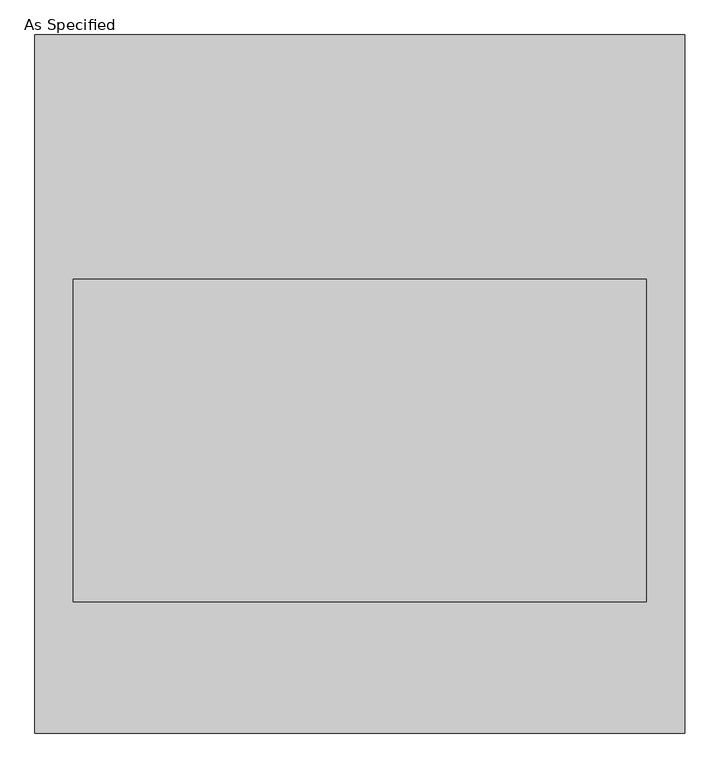
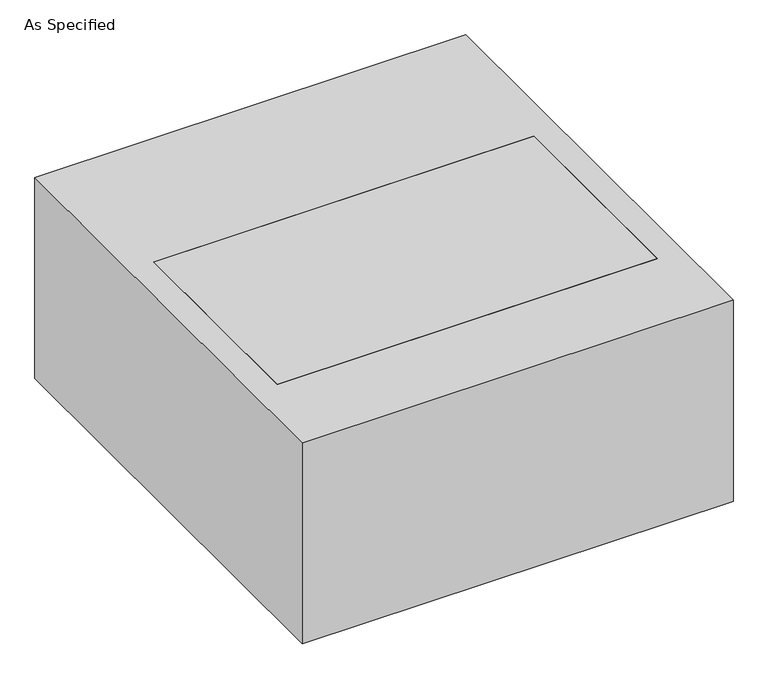
"""IFC4 building model written with IfcOpenShell, lengths in millimetres: proxy geometry, As Specified."""

from ifc_helpers import new_model, si_unit, frame, origin, place, context, project, spatial, polyline, outline, extrude, faceted_brep, source, transform, mapped, element, save


def as_specified_930d988b(model_context):
    return source(origin(), model_context, "Body", "SolidModel", [
        faceted_brep([(450.85, -342.9, -25.4), (450.85, 165.1, -25.4), (450.85, 165.1, -373.0625), (450.85, -342.9, -373.0625), (-511.175, 549.275, -25.4), (-511.175, 549.275, -530.225), (-511.175, -549.275, -530.225), (-511.175, -549.275, -25.4), (-450.85, 165.1, -25.4), (-450.85, -342.9, -25.4), (-450.85, -342.9, -373.0625), (-450.85, 165.1, -373.0625), (511.175, 549.275, -25.4), (511.175, -549.275, -25.4), (511.175, -549.275, -530.225), (511.175, 549.275, -530.225)], [[[0, 1, 2, 3]], [[4, 5, 6, 7]], [[8, 9, 10, 11]], [[12, 4, 7, 13], [9, 8, 1, 0]], [[12, 13, 14, 15]], [[14, 13, 7, 6]], [[15, 14, 6, 5]], [[12, 15, 5, 4]], [[8, 11, 2, 1]], [[11, 10, 3, 2]], [[10, 9, 0, 3]]]),
        extrude(outline(polyline([(450.85, 165.1), (450.85, -342.9), (-450.85, -342.9), (-450.85, 165.1), (450.85, 165.1)])), frame((0.0, 0.0, -373.0625), z_axis=(0.0, 0.0, 1.0), x_axis=(1.0, 0.0, 0.0)), (0.0, 0.0, 1.0), 347.6625),
    ])


if __name__ == "__main__":
    model = new_model("IFC4")
    model_context = context("Model", 3, world=origin())
    ifc_project = project(units=[si_unit("LENGTHUNIT", "METRE", prefix="MILLI")], contexts=[model_context])
    site = spatial("IfcSite", under=ifc_project)
    building = spatial("IfcBuilding", under=site)
    placement = place(None, origin())
    as_specified_shape = as_specified_930d988b(model_context)
    element("IfcBuildingElementProxy", 1, Name="As Specified", ObjectType="As Specified", at=placement, inside=building, context=model_context, shape_type="MappedRepresentation", body=[
        mapped(as_specified_shape, transform((0.0, 0.0, 0.0), x_axis=(1.0, 0.0, 0.0), y_axis=(0.0, 1.0, 0.0), z_axis=(0.0, 0.0, 1.0))),
    ])
    save(model, "model.ifc")
